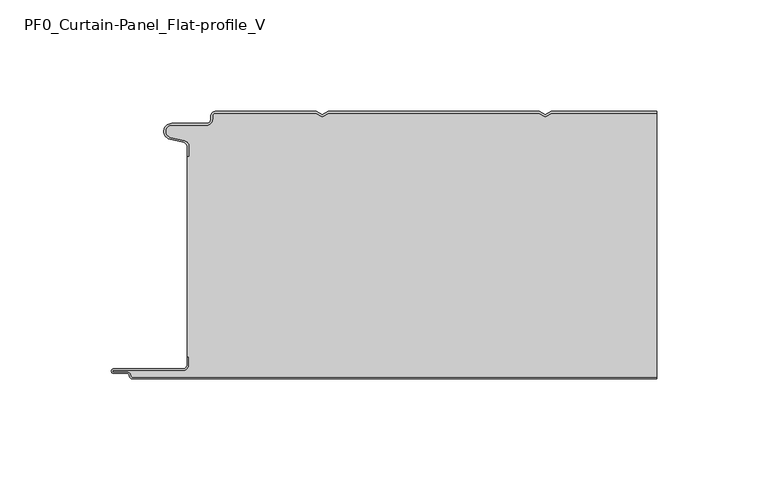
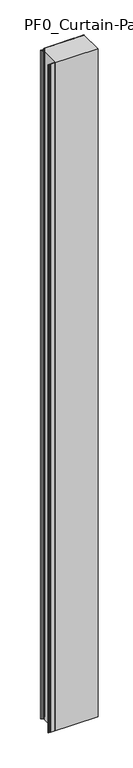
"""IFC4 building model written with IfcOpenShell, lengths in millimetres: plate geometry, PF0_Curtain-Panel_Flat-profile_V."""

from ifc_helpers import new_model, si_unit, point, frame_2d, origin, origin_with_axes, place, context, project, spatial, polyline, circle_curve, trimmed, segment, composite_curve, outline, extrude, source, transform, mapped, element, save


def pf0_curtain_panel_flat_profile_v_2ebdcc89(model_context):
    return source(origin(), model_context, "Body", "SweptSolid", [
        extrude(outline(composite_curve([segment(trimmed(circle_curve(frame_2d((-102.0, -15.878557)), 2.0), [point((-100.0, -15.878557))], [point((-101.5500978, -13.9298169))], True, "CARTESIAN"), True, "CONTINUOUS"), segment(polyline([(-101.5500978, -13.9298169), (-107.7098239, -12.507732)]), True, "CONTINUOUS"), segment(trimmed(circle_curve(frame_2d((-106.9, -9.0)), 3.6), [point((-107.7098239, -12.507732))], [point((-106.9, -5.4))], False, "CARTESIAN"), True, "CONTINUOUS"), segment(polyline([(-106.9, -5.4), (-91.4, -5.4)]), True, "CONTINUOUS"), segment(trimmed(circle_curve(frame_2d((-91.4, -3.4)), 2.0), [point((-91.4, -5.4))], [point((-89.4, -3.4))], True, "CARTESIAN"), True, "CONTINUOUS"), segment(polyline([(-89.4, -3.4), (-89.4, -2.0)]), True, "CONTINUOUS"), segment(trimmed(circle_curve(frame_2d((-87.4, -2.0)), 2.0), [point((-89.4, -2.0))], [point((-87.4, 0.0))], False, "CARTESIAN"), True, "CONTINUOUS"), segment(polyline([(-87.4, 0.0), (-42.0999995, 0.0), (-39.4, -1.5588455), (-36.7000005, 0.0), (57.9000005, 0.0), (60.6, -1.5588455), (63.2999995, 0.0), (110.6, 0.0), (110.6, -0.8), (63.5143588, -0.8), (60.6, -2.482606), (57.6856412, -0.8), (-36.4856412, -0.8), (-39.4, -2.482606), (-42.3143588, -0.8), (-87.4, -0.8)]), True, "CONTINUOUS"), segment(trimmed(circle_curve(frame_2d((-87.4, -2.0)), 1.2), [point((-87.4, -0.8))], [point((-88.6, -2.0))], True, "CARTESIAN"), True, "CONTINUOUS"), segment(polyline([(-88.6, -2.0), (-88.6, -3.4)]), True, "CONTINUOUS"), segment(trimmed(circle_curve(frame_2d((-91.4, -3.4)), 2.8), [point((-88.6, -3.4))], [point((-91.4, -6.2))], False, "CARTESIAN"), True, "CONTINUOUS"), segment(polyline([(-91.4, -6.2), (-106.9, -6.2)]), True, "CONTINUOUS"), segment(trimmed(circle_curve(frame_2d((-106.9, -9.0)), 2.8), [point((-106.9, -6.2))], [point((-107.529863, -11.7282362))], True, "CARTESIAN"), True, "CONTINUOUS"), segment(polyline([(-107.529863, -11.7282362), (-101.370137, -13.150321)]), True, "CONTINUOUS"), segment(trimmed(circle_curve(frame_2d((-102.0, -15.878557)), 2.8), [point((-101.370137, -13.150321))], [point((-99.2, -15.878557))], False, "CARTESIAN"), True, "CONTINUOUS"), segment(polyline([(-99.2, -15.878557), (-99.2, -20.0), (-100.0, -20.0), (-100.0, -15.878557)]), True, "CONTINUOUS")], self_intersect=False)), origin_with_axes(), (0.0, 0.0, 1.0), 3500.0),
        extrude(outline(composite_curve([segment(polyline([(-99.2, -110.0), (-100.0, -110.0), (-100.0, -20.0), (-99.2, -20.0), (-99.2, -15.878557)]), True, "CONTINUOUS"), segment(trimmed(circle_curve(frame_2d((-102.0, -15.878557)), 2.8), [point((-99.2, -15.878557))], [point((-101.370137, -13.1503208))], True, "CARTESIAN"), True, "CONTINUOUS"), segment(polyline([(-101.370137, -13.1503208), (-107.529863, -11.7282362)]), True, "CONTINUOUS"), segment(trimmed(circle_curve(frame_2d((-106.9, -9.0)), 2.8), [point((-107.529863, -11.7282362))], [point((-106.9, -6.2))], False, "CARTESIAN"), True, "CONTINUOUS"), segment(polyline([(-106.9, -6.2), (-91.4, -6.2)]), True, "CONTINUOUS"), segment(trimmed(circle_curve(frame_2d((-91.4, -3.4)), 2.8), [point((-91.4, -6.2))], [point((-88.6, -3.4))], True, "CARTESIAN"), True, "CONTINUOUS"), segment(polyline([(-88.6, -3.4), (-88.6, -2.0)]), True, "CONTINUOUS"), segment(trimmed(circle_curve(frame_2d((-87.4, -2.0)), 1.2), [point((-88.6, -2.0))], [point((-87.4, -0.8))], False, "CARTESIAN"), True, "CONTINUOUS"), segment(polyline([(-87.4, -0.8), (-42.3143588, -0.8), (-39.4, -2.482606), (-36.4856412, -0.8), (57.6856412, -0.8), (60.6, -2.482606), (63.5143588, -0.8), (110.6, -0.8), (110.6, -119.2), (-124.4, -119.2)]), True, "CONTINUOUS"), segment(trimmed(circle_curve(frame_2d((-124.4, -118.4)), 0.8), [point((-124.4, -119.2))], [point((-125.2, -118.4))], False, "CARTESIAN"), True, "CONTINUOUS"), segment(trimmed(circle_curve(frame_2d((-126.9, -118.6133333)), 1.7133333), [point((-125.2, -118.4))], [point((-126.9, -116.9))], True, "CARTESIAN"), True, "CONTINUOUS"), segment(polyline([(-126.9, -116.9), (-132.8700312, -116.9)]), True, "CONTINUOUS"), segment(trimmed(circle_curve(frame_2d((-132.8700312, -116.6)), 0.3), [point((-132.8700312, -116.9))], [point((-132.8700312, -116.3))], False, "CARTESIAN"), True, "CONTINUOUS"), segment(polyline([(-132.8700312, -116.3), (-102.0, -116.3)]), True, "CONTINUOUS"), segment(trimmed(circle_curve(frame_2d((-102.0, -113.5)), 2.8), [point((-102.0, -116.3))], [point((-99.2, -113.5))], True, "CARTESIAN"), True, "CONTINUOUS"), segment(polyline([(-99.2, -113.5), (-99.2, -110.0)]), True, "CONTINUOUS")], self_intersect=False)), origin_with_axes(), (0.0, 0.0, 1.0), 3500.0),
        extrude(outline(composite_curve([segment(polyline([(-100.0, -110.0), (-99.2, -110.0), (-99.2, -113.5)]), True, "CONTINUOUS"), segment(trimmed(circle_curve(frame_2d((-102.0, -113.5)), 2.8), [point((-99.2, -113.5))], [point((-102.0, -116.3))], False, "CARTESIAN"), True, "CONTINUOUS"), segment(polyline([(-102.0, -116.3), (-132.8700312, -116.3)]), True, "CONTINUOUS"), segment(trimmed(circle_curve(frame_2d((-132.8700312, -116.6)), 0.3), [point((-132.8700312, -116.3))], [point((-132.8700312, -116.9))], True, "CARTESIAN"), True, "CONTINUOUS"), segment(polyline([(-132.8700312, -116.9), (-126.9, -116.9)]), True, "CONTINUOUS"), segment(trimmed(circle_curve(frame_2d((-126.9, -118.6133333)), 1.7133333), [point((-126.9, -116.9))], [point((-125.2, -118.4))], False, "CARTESIAN"), True, "CONTINUOUS"), segment(trimmed(circle_curve(frame_2d((-124.4, -118.4)), 0.8), [point((-125.2, -118.4))], [point((-124.4, -119.2))], True, "CARTESIAN"), True, "CONTINUOUS"), segment(polyline([(-124.4, -119.2), (110.6, -119.2), (110.6, -120.0), (-124.4, -120.0)]), True, "CONTINUOUS"), segment(trimmed(circle_curve(frame_2d((-124.4, -118.4)), 1.6), [point((-124.4, -120.0))], [point((-126.0, -118.4))], False, "CARTESIAN"), True, "CONTINUOUS"), segment(trimmed(circle_curve(frame_2d((-126.9, -118.4)), 0.9), [point((-126.0, -118.4))], [point((-126.9, -117.5))], True, "CARTESIAN"), True, "CONTINUOUS"), segment(polyline([(-126.9, -117.5), (-133.0, -117.5)]), True, "CONTINUOUS"), segment(trimmed(circle_curve(frame_2d((-133.0, -116.5)), 1.0), [point((-133.0, -117.5))], [point((-133.0, -115.5))], False, "CARTESIAN"), True, "CONTINUOUS"), segment(polyline([(-133.0, -115.5), (-102.0, -115.5)]), True, "CONTINUOUS"), segment(trimmed(circle_curve(frame_2d((-102.0, -113.5)), 2.0), [point((-102.0, -115.5))], [point((-100.0, -113.5))], True, "CARTESIAN"), True, "CONTINUOUS"), segment(polyline([(-100.0, -113.5), (-100.0, -110.0)]), True, "CONTINUOUS")], self_intersect=False)), origin_with_axes(), (0.0, 0.0, 1.0), 3500.0),
    ])


if __name__ == "__main__":
    model = new_model("IFC4")
    model_context = context("Model", 3, world=origin())
    ifc_project = project(units=[si_unit("LENGTHUNIT", "METRE", prefix="MILLI")], contexts=[model_context])
    site = spatial("IfcSite", under=ifc_project)
    building = spatial("IfcBuilding", under=site)
    placement = place(None, origin())
    pf0_curtain_panel_flat_profile_v_shape = pf0_curtain_panel_flat_profile_v_2ebdcc89(model_context)
    element("IfcPlate", 1, ObjectType="PF0_Curtain-Panel_Flat-profile_V", at=placement, inside=building, context=model_context, shape_type="MappedRepresentation", body=[
        mapped(pf0_curtain_panel_flat_profile_v_shape, transform((0.0, 0.0, 0.0), x_axis=(1.0, 0.0, 0.0), y_axis=(0.0, 1.0, 0.0), z_axis=(0.0, 0.0, 1.0))),
    ])
    save(model, "model.ifc")
